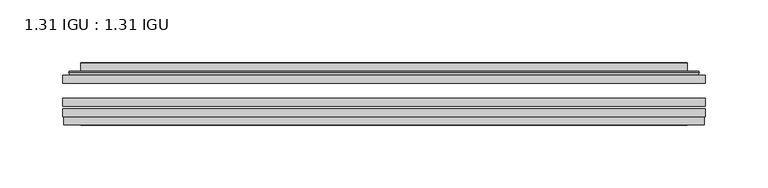
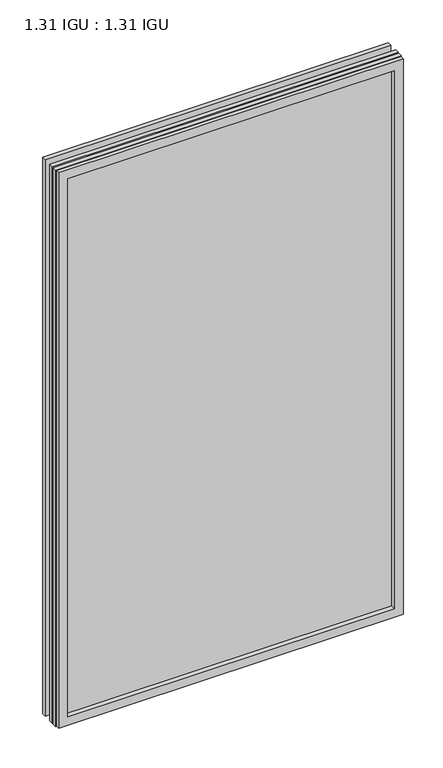
"""IFC4 building model written with IfcOpenShell, lengths in millimetres: plate geometry, 1.31 IGU : 1.31 IGU."""

from ifc_helpers import new_model, si_unit, frame, origin, place, context, project, spatial, polyline, ellipse_curve, outline, extrude, faceted_brep, source, transform, mapped, element, save
from ifc_brep_helpers import plane_surface, cylinder_surface, advanced_brep


def plate_1_31_igu_1_31_igu_06b76109(model_context):
    return source(origin(), model_context, "Body", "SolidModel", [
        extrude(outline(polyline([(255.601675, -63.59525), (255.601675, -69.94525), (-255.5875, -69.94525), (-255.5875, -63.59525), (255.601675, -63.59525)])), frame((0.0, 0.0, -14.2875), z_axis=(0.0, 0.0, 1.0), x_axis=(1.0, 0.0, 0.0)), (0.0, 0.0, 1.0), 869.9537979),
        extrude(outline(polyline([(-255.5875, -78.58125), (-255.5875, -72.230745), (255.601675, -72.230745), (255.601675, -78.58125), (-255.5875, -78.58125)])), frame((0.0, 0.0, -14.2875), z_axis=(0.0, 0.0, 1.0), x_axis=(1.0, 0.0, 0.0)), (0.0, 0.0, 1.0), 869.9537979),
        extrude(outline(polyline([(255.601675, -45.25645), (255.601675, -51.60645), (-255.5875, -51.60645), (-255.5875, -45.25645), (255.601675, -45.25645)])), frame((0.0, 0.0, -14.2875), z_axis=(0.0, 0.0, 1.0), x_axis=(1.0, 0.0, 0.0)), (0.0, 0.0, 1.0), 869.9537979),
        faceted_brep([(-254.8873142, -84.93125, 854.9623142), (-254.8873142, -78.58125, 854.9623142), (-254.8873142, -78.58125, -13.5873142), (-254.8873142, -84.93125, -13.5873142), (254.8873142, -78.58125, -13.5873142), (254.8873142, -84.93125, -13.5873142), (254.8873142, -78.58125, 854.9623142), (254.8873142, -84.93125, 854.9623142), (-240.4022559, -78.58125, 0.8977441), (240.4022559, -78.58125, 0.8977441), (240.4022559, -78.58125, 840.4772559), (-240.4022559, -78.58125, 840.4772559), (-241.2946902, -84.93125, 841.3696902), (241.2946902, -84.93125, 841.3696902), (241.2946902, -84.93125, 0.0053098), (-241.2946902, -84.93125, 0.0053098)], [[[0, 1, 2, 3]], [[3, 2, 4, 5]], [[5, 4, 6, 7]], [[1, 6, 4, 2], [8, 9, 10, 11]], [[7, 6, 1, 0]], [[3, 5, 7, 0], [12, 13, 14, 15]], [[11, 12, 15, 8]], [[8, 15, 14, 9]], [[9, 14, 13, 10]], [[10, 13, 12, 11]]]),
        advanced_brep(
        [(-248.346219, -45.25645, 848.4212191), (-250.7004244, -43.2667833, 850.7754244), (-250.7004244, -43.2667833, -9.4004244), (-248.346219, -45.25645, -7.046219), (-239.2718939, -41.416413, 839.3468939), (-234.3370621, -45.25645, 834.4120621), (-234.3370621, -45.25645, 6.9629379), (-239.2718939, -41.416413, 2.0281061), (-240.3039217, -36.0191819, 840.3789217), (-240.3039217, -36.0191819, 0.9960783), (-241.2945784, -35.6202069, 841.3695784), (-241.2945784, -35.6202069, 0.0054216), (-241.2945784, -42.08145, 841.3695784), (-241.2945784, -42.08145, 0.0054216), (-249.6986349, -42.08145, 849.7736349), (-249.6986349, -42.08145, -8.3986349), (250.7004244, -43.2667833, -9.4004244), (248.346219, -45.25645, -7.046219), (234.3370621, -45.25645, 6.9629379), (239.2718939, -41.416413, 2.0281061), (240.3039217, -36.0191819, 0.9960783), (241.2945784, -35.6202069, 0.0054216), (241.2945784, -42.08145, 0.0054216), (249.6986349, -42.08145, -8.3986349), (250.7004244, -43.2667833, 850.7754244), (248.346219, -45.25645, 848.4212191), (234.3370621, -45.25645, 834.4120621), (239.2718939, -41.416413, 839.3468939), (240.3039217, -36.0191819, 840.3789217), (241.2945784, -35.6202069, 841.3695784), (241.2945784, -42.08145, 841.3695784), (249.6986349, -42.08145, 849.7736349)],
        [
            (0, 1, ellipse_curve(frame((-248.346219, -42.86885, 848.4212191), z_axis=(-0.7071067811865475, 0.0, -0.7071067811865475), x_axis=(-0.7071067811865474, 0.0, 0.7071067811865476)), 3.3765763, 2.3876)),
            (1, 2),
            (2, 3, ellipse_curve(frame((-248.346219, -42.86885, -7.046219), z_axis=(-0.7071067811865475, 0.0, 0.7071067811865475), x_axis=(0.7071067811865474, 0.0, 0.7071067811865476)), 3.3765763, 2.3876)),
            (3, 0),
            (4, 5),
            (5, 6),
            (6, 7),
            (7, 4),
            (8, 4),
            (7, 9),
            (9, 8),
            (10, 8, ellipse_curve(frame((-240.9276219, -36.1384423, 841.0026219), z_axis=(-0.7071067811865475, 0.0, -0.7071067811865475), x_axis=(-0.7071067811865474, 0.0, 0.7071067811865476)), 0.8980256, 0.635)),
            (9, 11, ellipse_curve(frame((-240.9276219, -36.1384423, 0.3723781), z_axis=(-0.7071067811865475, 0.0, 0.7071067811865475), x_axis=(0.7071067811865474, 0.0, 0.7071067811865476)), 0.8980256, 0.635)),
            (11, 10),
            (12, 10),
            (11, 13),
            (13, 12),
            (1, 14, ellipse_curve(frame((-249.6986349, -43.09745, 849.7736349), z_axis=(-0.7071067811865475, 0.0, -0.7071067811865475), x_axis=(-0.7071067811865474, 0.0, 0.7071067811865476)), 1.436841, 1.016)),
            (14, 15),
            (15, 2, ellipse_curve(frame((-249.6986349, -43.09745, -8.3986349), z_axis=(-0.7071067811865475, 0.0, 0.7071067811865475), x_axis=(0.7071067811865474, 0.0, 0.7071067811865476)), 1.436841, 1.016)),
            (2, 16),
            (16, 17, ellipse_curve(frame((248.346219, -42.86885, -7.046219), z_axis=(-0.7071067811865475, 0.0, -0.7071067811865475), x_axis=(-0.7071067811865476, 0.0, 0.7071067811865474)), 3.3765763, 2.3876)),
            (17, 3),
            (6, 18),
            (18, 19),
            (19, 7),
            (19, 20),
            (20, 9),
            (20, 21, ellipse_curve(frame((240.9276219, -36.1384423, 0.3723781), z_axis=(-0.7071067811865475, 0.0, -0.7071067811865475), x_axis=(-0.7071067811865476, 0.0, 0.7071067811865474)), 0.8980256, 0.635)),
            (21, 11),
            (21, 22),
            (22, 13),
            (15, 23),
            (23, 16, ellipse_curve(frame((249.6986349, -43.09745, -8.3986349), z_axis=(-0.7071067811865475, 0.0, -0.7071067811865475), x_axis=(-0.7071067811865476, 0.0, 0.7071067811865474)), 1.436841, 1.016)),
            (16, 24),
            (24, 25, ellipse_curve(frame((248.346219, -42.86885, 848.4212191), z_axis=(0.7071067811865475, 0.0, -0.7071067811865475), x_axis=(-0.7071067811865474, 0.0, -0.7071067811865476)), 3.3765763, 2.3876)),
            (25, 17),
            (18, 26),
            (26, 27),
            (27, 19),
            (27, 28),
            (28, 20),
            (28, 29, ellipse_curve(frame((240.9276219, -36.1384423, 841.0026219), z_axis=(0.7071067811865475, 0.0, -0.7071067811865475), x_axis=(-0.7071067811865474, 0.0, -0.7071067811865476)), 0.8980256, 0.635)),
            (29, 21),
            (29, 30),
            (30, 22),
            (23, 31),
            (31, 24, ellipse_curve(frame((249.6986349, -43.09745, 849.7736349), z_axis=(0.7071067811865475, 0.0, -0.7071067811865475), x_axis=(-0.7071067811865474, 0.0, -0.7071067811865476)), 1.436841, 1.016)),
            (24, 1),
            (0, 25),
            (5, 26),
            (4, 27),
            (8, 28),
            (10, 29),
            (12, 30),
            (14, 31),
        ],
        [
            cylinder_surface(frame((-248.346219, -42.86885, 873.125), z_axis=(0.0, 0.0, 1.0), x_axis=(-1.0, 0.0, 0.0)), 2.3876),
            plane_surface(frame((-234.3370621, -45.25645, 834.4120621), z_axis=(0.6141233906514794, 0.7892100234124821, 0.0), x_axis=(0.0, 0.0, -1.0))),
            plane_surface(frame((-239.2718939, -41.416413, 839.3468939), z_axis=(0.9822050625507729, 0.18781164793386076, 0.0), x_axis=(0.0, 0.0, -1.0))),
            cylinder_surface(frame((-240.9276219, -36.1384423, 873.125), z_axis=(0.0, 0.0, 1.0), x_axis=(-1.0, 0.0, 0.0)), 0.635),
            plane_surface(frame((-241.2945784, -35.6202069, 841.3695784), z_axis=(-1.0, 0.0, 0.0), x_axis=(0.0, 0.0, -1.0))),
            cylinder_surface(frame((-249.6986349, -43.09745, 873.125), z_axis=(0.0, 0.0, 1.0), x_axis=(-1.0, 0.0, 0.0)), 1.016),
            cylinder_surface(frame((-273.05, -42.86885, -7.046219), z_axis=(-1.0, 0.0, 0.0), x_axis=(0.0, 0.0, -1.0)), 2.3876),
            plane_surface(frame((-234.3370621, -45.25645, 6.9629379), z_axis=(0.0, 0.7892100234124841, 0.6141233906514768), x_axis=(1.0, 0.0, 0.0))),
            plane_surface(frame((-239.2718939, -41.416413, 2.0281061), z_axis=(0.0, 0.18781164793386393, 0.9822050625507723), x_axis=(1.0, 0.0, 0.0))),
            cylinder_surface(frame((-273.05, -36.1384423, 0.3723781), z_axis=(-1.0, 0.0, 0.0), x_axis=(0.0, 0.0, -1.0)), 0.635),
            plane_surface(frame((-241.2945784, -35.6202069, 0.0054216), z_axis=(0.0, 0.0, -1.0), x_axis=(1.0, 0.0, 0.0))),
            cylinder_surface(frame((-273.05, -43.09745, -8.3986349), z_axis=(-1.0, 0.0, 0.0), x_axis=(0.0, 0.0, -1.0)), 1.016),
            cylinder_surface(frame((248.346219, -42.86885, -31.75), z_axis=(0.0, 0.0, -1.0), x_axis=(1.0, 0.0, 0.0)), 2.3876),
            plane_surface(frame((234.3370621, -45.25645, 6.9629379), z_axis=(-0.6141233906514743, 0.7892100234124861, 0.0), x_axis=(0.0, 0.0, 1.0))),
            plane_surface(frame((239.2718939, -41.416413, 2.0281061), z_axis=(-0.9822050625507718, 0.1878116479338671, 0.0), x_axis=(0.0, 0.0, 1.0))),
            cylinder_surface(frame((240.9276219, -36.1384423, -31.75), z_axis=(0.0, 0.0, -1.0), x_axis=(1.0, 0.0, 0.0)), 0.635),
            plane_surface(frame((241.2945784, -35.6202069, 0.0054216), z_axis=(1.0, 0.0, 0.0), x_axis=(0.0, 0.0, 1.0))),
            cylinder_surface(frame((249.6986349, -43.09745, -31.75), z_axis=(0.0, 0.0, -1.0), x_axis=(1.0, 0.0, 0.0)), 1.016),
            cylinder_surface(frame((273.05, -42.86885, 848.4212191), z_axis=(1.0, 0.0, 0.0), x_axis=(0.0, 0.0, 1.0)), 2.3876),
            plane_surface(frame((248.346219, -45.25645, 848.4212191), z_axis=(0.0, -1.0, 0.0), x_axis=(-1.0, 0.0, 0.0))),
            plane_surface(frame((234.3370621, -45.25645, 834.4120621), z_axis=(0.0, 0.7892100234124841, -0.6141233906514768), x_axis=(-1.0, 0.0, 0.0))),
            plane_surface(frame((239.2718939, -41.416413, 839.3468939), z_axis=(0.0, 0.18781164793386393, -0.9822050625507723), x_axis=(-1.0, 0.0, 0.0))),
            cylinder_surface(frame((273.05, -36.1384423, 841.0026219), z_axis=(1.0, 0.0, 0.0), x_axis=(0.0, 0.0, 1.0)), 0.635),
            plane_surface(frame((241.2945784, -35.6202069, 841.3695784), z_axis=(0.0, 0.0, 1.0), x_axis=(-1.0, 0.0, 0.0))),
            plane_surface(frame((241.2945784, -42.08145, 841.3695784), z_axis=(0.0, 1.0, 0.0), x_axis=(-1.0, 0.0, 0.0))),
            cylinder_surface(frame((273.05, -43.09745, 849.7736349), z_axis=(1.0, 0.0, 0.0), x_axis=(0.0, 0.0, 1.0)), 1.016),
        ],
        [
            (0, [[1, 2, 3, 4]]),
            (1, [[5, 6, 7, 8]]),
            (2, [[9, -8, 10, 11]]),
            (3, [[12, -11, 13, 14]]),
            (4, [[15, -14, 16, 17]]),
            (5, [[18, 19, 20, -2]]),
            (6, [[-3, 21, 22, 23]]),
            (7, [[-7, 24, 25, 26]]),
            (8, [[-10, -26, 27, 28]]),
            (9, [[-13, -28, 29, 30]]),
            (10, [[-16, -30, 31, 32]]),
            (11, [[-20, 33, 34, -21]]),
            (12, [[-22, 35, 36, 37]]),
            (13, [[-25, 38, 39, 40]]),
            (14, [[-27, -40, 41, 42]]),
            (15, [[-29, -42, 43, 44]]),
            (16, [[-31, -44, 45, 46]]),
            (17, [[-34, 47, 48, -35]]),
            (18, [[-36, 49, -1, 50]]),
            (19, [[-23, -37, -50, -4], [51, -38, -24, -6]]),
            (20, [[-39, -51, -5, 52]]),
            (21, [[-41, -52, -9, 53]]),
            (22, [[-43, -53, -12, 54]]),
            (23, [[-45, -54, -15, 55]]),
            (24, [[56, -47, -33, -19], [-32, -46, -55, -17]]),
            (25, [[-48, -56, -18, -49]]),
        ],
    ),
    ])


if __name__ == "__main__":
    model = new_model("IFC4")
    model_context = context("Model", 3, world=origin())
    ifc_project = project(units=[si_unit("LENGTHUNIT", "METRE", prefix="MILLI")], contexts=[model_context])
    site = spatial("IfcSite", under=ifc_project)
    building = spatial("IfcBuilding", under=site)
    placement = place(None, origin())
    plate_1_31_igu_1_31_igu_shape = plate_1_31_igu_1_31_igu_06b76109(model_context)
    element("IfcPlate", 1, ObjectType="1.31 IGU : 1.31 IGU", at=placement, inside=building, context=model_context, shape_type="MappedRepresentation", body=[
        mapped(plate_1_31_igu_1_31_igu_shape, transform((0.0, 0.0, 0.0), x_axis=(1.0, 0.0, 0.0), y_axis=(0.0, 1.0, 0.0), z_axis=(0.0, 0.0, 1.0))),
    ])
    save(model, "model.ifc")
